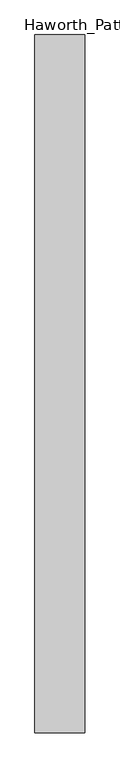
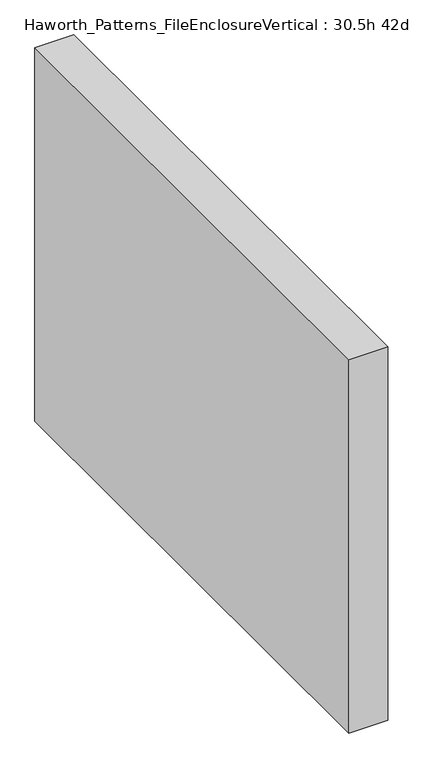
"""IFC4 building model written with IfcOpenShell, lengths in millimetres: furniture geometry, Haworth_Patterns_FileEnclosureVertical : 30.5h 42d."""

from ifc_helpers import new_model, si_unit, origin, origin_with_axes, place, context, project, spatial, polyline, outline, extrude, source, transform, mapped, element, save


def haworth_patterns_fileenclosurevertical_30_5h_42d_d19fe6ea(model_context):
    return source(origin(), model_context, "Body", "SweptSolid", [
        extrude(outline(polyline([(-38.1, 0.0), (38.1, 0.0), (38.1, -1066.8), (-38.1, -1066.8), (-38.1, 0.0)])), origin_with_axes(), (0.0, 0.0, 1.0), 774.7),
        extrude(outline(polyline([(38.1, 0.0), (38.1, -1066.8), (-38.1, -1066.8), (-38.1, 0.0), (38.1, 0.0)])), origin_with_axes(), (0.0, 0.0, 1.0), 774.7),
    ])


if __name__ == "__main__":
    model = new_model("IFC4")
    model_context = context("Model", 3, world=origin())
    ifc_project = project(units=[si_unit("LENGTHUNIT", "METRE", prefix="MILLI")], contexts=[model_context])
    site = spatial("IfcSite", under=ifc_project)
    building = spatial("IfcBuilding", under=site)
    placement = place(None, origin())
    haworth_patterns_fileenclosurevertical_30_5h_42d_shape = haworth_patterns_fileenclosurevertical_30_5h_42d_d19fe6ea(model_context)
    element("IfcFurniture", 1, ObjectType="Haworth_Patterns_FileEnclosureVertical : 30.5h 42d", at=placement, inside=building, context=model_context, shape_type="MappedRepresentation", body=[
        mapped(haworth_patterns_fileenclosurevertical_30_5h_42d_shape, transform((0.0, 0.0, 0.0), x_axis=(1.0, 0.0, 0.0), y_axis=(0.0, 1.0, 0.0), z_axis=(0.0, 0.0, 1.0))),
    ])
    save(model, "model.ifc")
